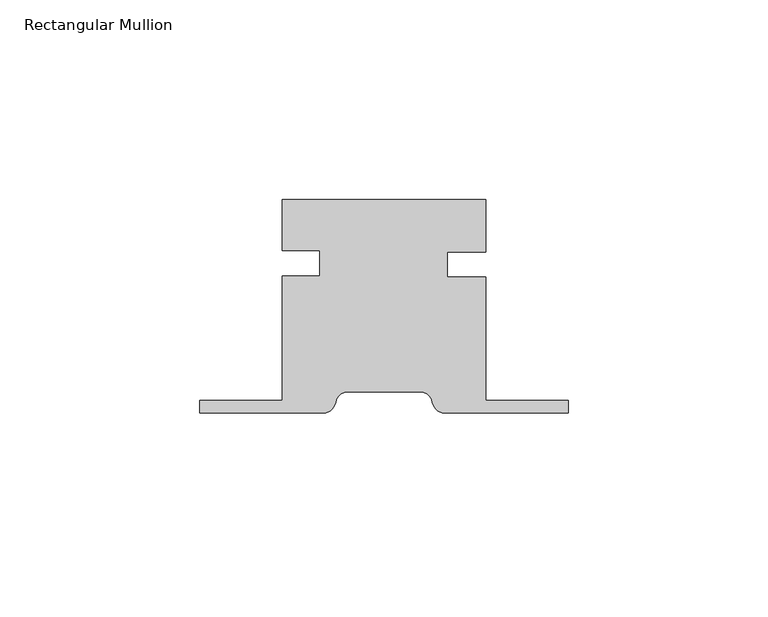
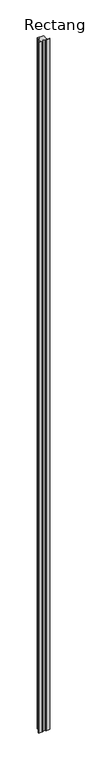
"""IFC4 building model written with IfcOpenShell, lengths in millimetres: member geometry, Rectangular Mullion."""

from ifc_helpers import new_model, si_unit, point, frame, frame_2d, origin, place, context, project, spatial, polyline, circle_curve, trimmed, segment, composite_curve, outline, extrude, source, transform, mapped, element, save


def rectangular_mullion_ee6c70a9(model_context):
    return source(origin(), model_context, "Body", "SweptSolid", [
        extrude(outline(composite_curve([segment(polyline([(25.3953081, 15.1791579), (25.3953081, 2.1318922), (15.8739657, 2.1318922), (15.8739657, -4.2181078), (25.3953081, -4.2181078), (25.3953081, -35.0239421), (46.0352465, -35.0239421), (46.0352465, -38.1989421), (15.2377465, -38.1989421)]), True, "CONTINUOUS"), segment(trimmed(circle_curve(frame_2d((15.2377465, -35.0239421)), 3.175), [point((15.2377465, -38.1989421))], [point((12.1071397, -35.5530222))], False, "CARTESIAN"), True, "CONTINUOUS"), segment(trimmed(circle_curve(frame_2d((8.9765328, -36.0821024)), 3.175), [point((12.1071397, -35.5530222))], [point((8.9765328, -32.9071024))], True, "CARTESIAN"), True, "CONTINUOUS"), segment(polyline([(8.9765328, -32.9071024), (-8.9810398, -32.9071024)]), True, "CONTINUOUS"), segment(trimmed(circle_curve(frame_2d((-8.9810398, -36.0821024)), 3.175), [point((-8.9810398, -32.9071024))], [point((-12.1116466, -35.5530222))], True, "CARTESIAN"), True, "CONTINUOUS"), segment(trimmed(circle_curve(frame_2d((-15.2422535, -35.0239421)), 3.175), [point((-12.1116466, -35.5530222))], [point((-15.2422535, -38.1989421))], False, "CARTESIAN"), True, "CONTINUOUS"), segment(polyline([(-15.2422535, -38.1989421), (-46.0397535, -38.1989421), (-46.0397535, -35.0239421), (-25.4034727, -35.0239421), (-25.4034727, -3.8708421), (-16.0665343, -3.8708421), (-16.0665343, 2.4791579), (-25.4034727, 2.4791579), (-25.4034727, 15.1791579), (25.3953081, 15.1791579)]), True, "CONTINUOUS")], self_intersect=False)), frame((0.0, 0.0, -5986.6110368), z_axis=(0.0, 0.0, 1.0), x_axis=(1.0, 0.0, 0.0)), (0.0, 0.0, 1.0), 5986.6110368),
    ])


if __name__ == "__main__":
    model = new_model("IFC4")
    model_context = context("Model", 3, world=origin())
    ifc_project = project(units=[si_unit("LENGTHUNIT", "METRE", prefix="MILLI")], contexts=[model_context])
    site = spatial("IfcSite", under=ifc_project)
    building = spatial("IfcBuilding", under=site)
    placement = place(None, origin())
    rectangular_mullion_shape = rectangular_mullion_ee6c70a9(model_context)
    element("IfcMember", 1, ObjectType="Rectangular Mullion", at=placement, inside=building, context=model_context, shape_type="MappedRepresentation", body=[
        mapped(rectangular_mullion_shape, transform((0.0, 0.0, 0.0), x_axis=(1.0, 0.0, 0.0), y_axis=(0.0, 1.0, 0.0), z_axis=(0.0, 0.0, 1.0))),
    ])
    save(model, "model.ifc")
